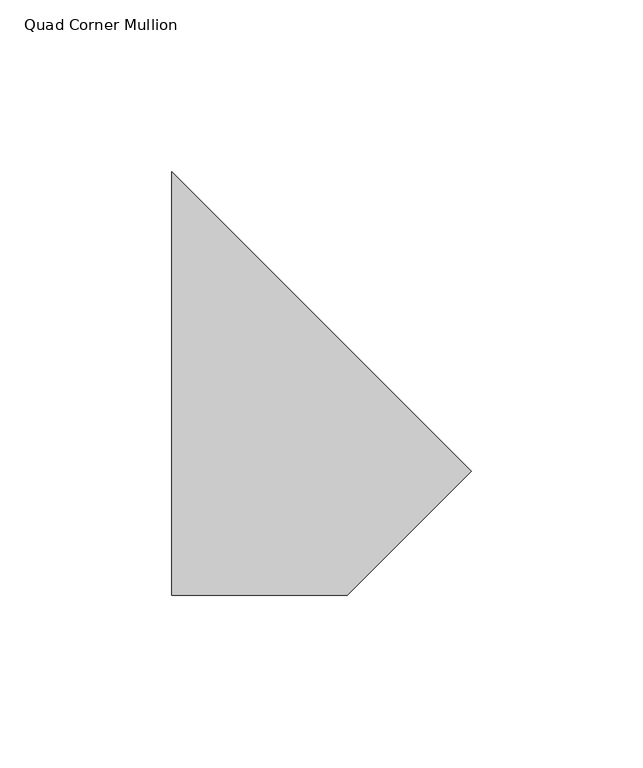
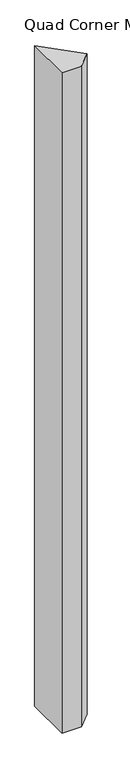
"""IFC4 building model written with IfcOpenShell, lengths in millimetres: member geometry, Quad Corner Mullion."""

from ifc_helpers import new_model, si_unit, frame, origin, place, context, project, spatial, polyline, outline, extrude, source, transform, mapped, element, save


def quad_corner_mullion_e8448836(model_context):
    return source(origin(), model_context, "Body", "SweptSolid", [
        extrude(outline(polyline([(55.1539851, -10.02303), (19.0899058, -46.0871094), (-31.9124043, -46.0871094), (-31.9124043, 77.0433594), (55.1539851, -10.02303)])), frame((0.0, 0.0, -1828.8), z_axis=(0.0, 0.0, 1.0), x_axis=(1.0, 0.0, 0.0)), (0.0, 0.0, 1.0), 1828.8),
    ])


if __name__ == "__main__":
    model = new_model("IFC4")
    model_context = context("Model", 3, world=origin())
    ifc_project = project(units=[si_unit("LENGTHUNIT", "METRE", prefix="MILLI")], contexts=[model_context])
    site = spatial("IfcSite", under=ifc_project)
    building = spatial("IfcBuilding", under=site)
    placement = place(None, origin())
    quad_corner_mullion_shape = quad_corner_mullion_e8448836(model_context)
    element("IfcMember", 1, ObjectType="Quad Corner Mullion", at=placement, inside=building, context=model_context, shape_type="MappedRepresentation", body=[
        mapped(quad_corner_mullion_shape, transform((0.0, 0.0, 0.0), x_axis=(1.0, 0.0, 0.0), y_axis=(0.0, 1.0, 0.0), z_axis=(0.0, 0.0, 1.0))),
    ])
    save(model, "model.ifc")
